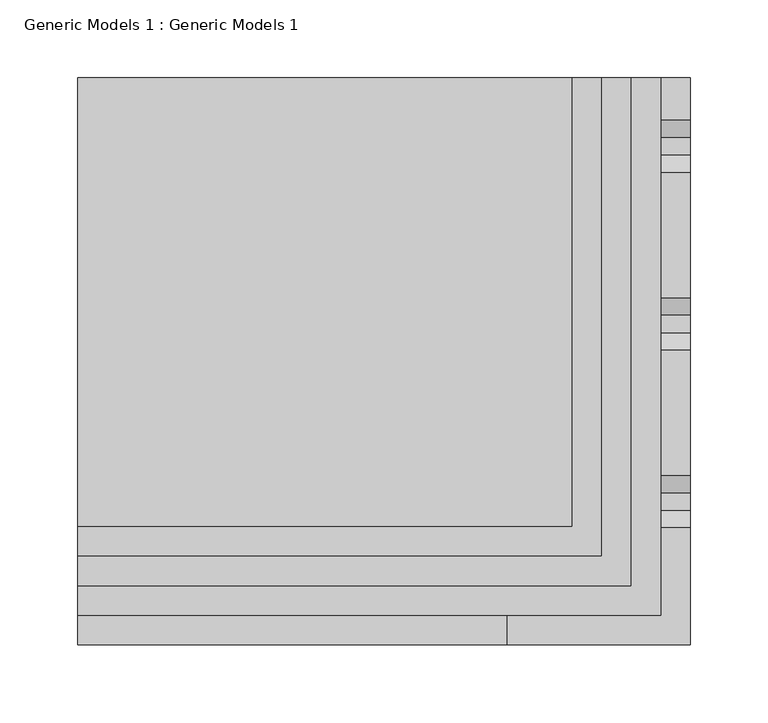
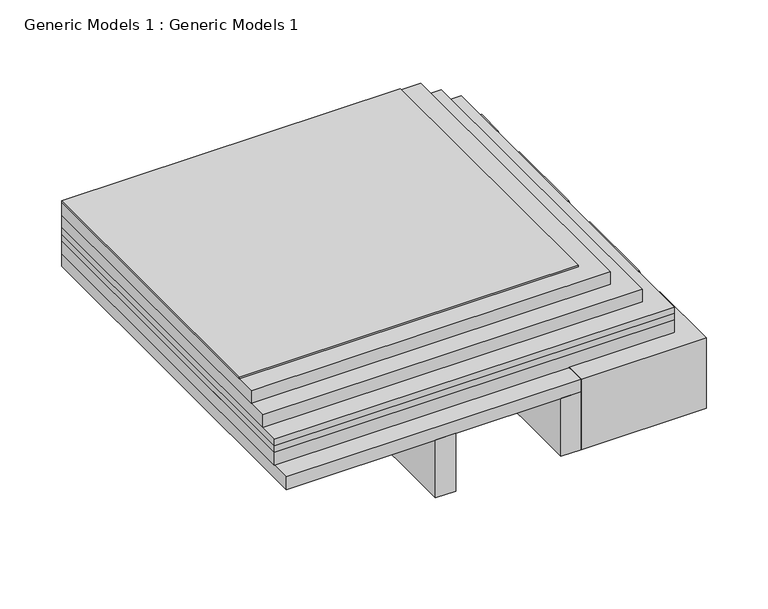
"""IFC4 building model written with IfcOpenShell, lengths in millimetres: proxy geometry, Generic Models 1 : Generic Models 1."""

from ifc_helpers import new_model, si_unit, frame, origin, place, context, project, spatial, polyline, outline, extrude, source, transform, mapped, element, save


def generic_models_1_generic_models_1_15493f5a(model_context):
    return source(origin(), model_context, "Body", "SweptSolid", [
        extrude(outline(polyline([(-101.6, 364.5288588), (273.05, 364.5288588), (273.05, 19.05), (-101.6, 19.05), (-101.6, 364.5288588)])), frame((0.0, 0.0, 120.65), z_axis=(0.0, 0.0, 1.0), x_axis=(1.0, 0.0, 0.0)), (0.0, 0.0, 1.0), 6.35),
        extrude(outline(polyline([(-101.6, 364.5288588), (273.05, 364.5288588), (273.05, 19.05), (-101.6, 19.05), (-101.6, 364.5288588)])), frame((0.0, 0.0, 114.3), z_axis=(0.0, 0.0, 1.0), x_axis=(1.0, 0.0, 0.0)), (0.0, 0.0, 1.0), 6.35),
        extrude(outline(polyline([(228.670593, 44.45), (196.920593, 76.2), (201.410721, 76.2), (231.845593, 45.7651281), (262.2804649, 76.2), (266.770593, 76.2), (235.020593, 44.45), (228.670593, 44.45)])), frame((287.3375, 0.0, 0.0), z_axis=(1.0, 0.0, 0.0), x_axis=(0.0, 1.0, 0.0)), (0.0, 0.0, 1.0), 3.175),
        extrude(outline(polyline([(110.7911863, 44.45), (79.0411863, 76.2), (83.5313144, 76.2), (113.9661863, 45.7651281), (144.4010583, 76.2), (148.8911863, 76.2), (117.1411863, 44.45), (110.7911863, 44.45)])), frame((287.3375, 0.0, 0.0), z_axis=(1.0, 0.0, 0.0), x_axis=(0.0, 1.0, 0.0)), (0.0, 0.0, 1.0), 3.175),
        extrude(outline(polyline([(364.5288588, 88.9), (364.5288588, 76.2), (25.4, 76.2), (12.7, 88.9), (364.5288588, 88.9)])), frame((285.75, 0.0, 0.0), z_axis=(1.0, 0.0, 0.0), x_axis=(0.0, 1.0, 0.0)), (0.0, 0.0, 1.0), 6.35),
        extrude(outline(polyline([(364.5288588, 31.75), (69.85, 31.75), (57.15, 44.45), (364.5288588, 44.45), (364.5288588, 31.75)])), frame((285.75, 0.0, 0.0), z_axis=(1.0, 0.0, 0.0), x_axis=(0.0, 1.0, 0.0)), (0.0, 0.0, 1.0), 6.35),
        extrude(outline(polyline([(75.3364053, 101.6), (86.4489053, 90.4875), (97.8337772, 90.4875), (108.9462772, 101.6), (189.6364053, 101.6), (200.7489053, 90.4875), (212.1337772, 90.4875), (223.2462772, 101.6), (303.9364053, 101.6), (315.0489053, 90.4875), (326.4337772, 90.4875), (337.5462772, 101.6), (364.5288588, 101.6), (364.5288588, 100.0125), (338.2038412, 100.0125), (327.0913412, 88.9), (314.3913412, 88.9), (303.2788412, 100.0125), (223.9038412, 100.0125), (212.7913412, 88.9), (200.0913412, 88.9), (188.9788412, 100.0125), (109.6038412, 100.0125), (98.4913412, 88.9), (85.7913412, 88.9), (74.6788412, 100.0125), (1.5875, 100.0125), (0.0, 101.6), (75.3364053, 101.6)])), frame((174.625, 0.0, 0.0), z_axis=(1.0, 0.0, 0.0), x_axis=(0.0, 1.0, 0.0)), (0.0, 0.0, 1.0), 117.475),
        extrude(outline(polyline([(0.0, 31.75), (0.0, 101.6), (69.85, 31.75), (0.0, 31.75)])), frame((174.625, 0.0, 0.0), z_axis=(1.0, 0.0, 0.0), x_axis=(0.0, 1.0, 0.0)), (0.0, 0.0, 1.0), 117.475),
        extrude(outline(polyline([(-101.6, 364.5288588), (215.9, 364.5288588), (215.9, 76.2), (-101.6, 76.2), (-101.6, 364.5288588)])), frame((0.0, 0.0, 152.4), z_axis=(0.0, 0.0, 1.0), x_axis=(1.0, 0.0, 0.0)), (0.0, 0.0, 1.0), 1.5875),
        extrude(outline(polyline([(-101.6, 364.5288588), (234.95, 364.5288588), (234.95, 57.15), (-101.6, 57.15), (-101.6, 364.5288588)])), frame((0.0, 0.0, 139.7), z_axis=(0.0, 0.0, 1.0), x_axis=(1.0, 0.0, 0.0)), (0.0, 0.0, 1.0), 12.7),
        extrude(outline(polyline([(-101.6, 364.5288588), (254.0, 364.5288588), (254.0, 38.1), (-101.6, 38.1), (-101.6, 364.5288588)])), frame((0.0, 0.0, 127.0), z_axis=(0.0, 0.0, 1.0), x_axis=(1.0, 0.0, 0.0)), (0.0, 0.0, 1.0), 12.7),
        extrude(outline(polyline([(-101.6, 364.5288588), (273.05, 364.5288588), (273.05, 19.05), (-101.6, 19.05), (-101.6, 364.5288588)])), frame((0.0, 0.0, 101.6), z_axis=(0.0, 0.0, 1.0), x_axis=(1.0, 0.0, 0.0)), (0.0, 0.0, 1.0), 12.7),
        extrude(outline(polyline([(57.15, 0.0), (38.1, 0.0), (38.1, 261.3017557), (57.15, 261.3017557), (57.15, 0.0)])), frame((0.0, 0.0, 31.75), z_axis=(0.0, 0.0, 1.0), x_axis=(1.0, 0.0, 0.0)), (0.0, 0.0, 1.0), 57.15),
        extrude(outline(polyline([(174.625, 0.0), (155.575, 0.0), (155.575, 261.3017557), (174.625, 261.3017557), (174.625, 0.0)])), frame((0.0, 0.0, 31.75), z_axis=(0.0, 0.0, 1.0), x_axis=(1.0, 0.0, 0.0)), (0.0, 0.0, 1.0), 57.15),
        extrude(outline(polyline([(-101.6, 364.5288588), (174.625, 364.5288588), (174.625, 0.0), (-101.6, 0.0), (-101.6, 364.5288588)])), frame((0.0, 0.0, 88.9), z_axis=(0.0, 0.0, 1.0), x_axis=(1.0, 0.0, 0.0)), (0.0, 0.0, 1.0), 12.7),
    ])


if __name__ == "__main__":
    model = new_model("IFC4")
    model_context = context("Model", 3, world=origin())
    ifc_project = project(units=[si_unit("LENGTHUNIT", "METRE", prefix="MILLI")], contexts=[model_context])
    site = spatial("IfcSite", under=ifc_project)
    building = spatial("IfcBuilding", under=site)
    placement = place(None, origin())
    generic_models_1_generic_models_1_shape = generic_models_1_generic_models_1_15493f5a(model_context)
    element("IfcBuildingElementProxy", 1, Name="Generic Models 1 : Generic Models 1", ObjectType="Generic Models 1 : Generic Models 1", at=placement, inside=building, context=model_context, shape_type="MappedRepresentation", body=[
        mapped(generic_models_1_generic_models_1_shape, transform((0.0, 0.0, 0.0), x_axis=(1.0, 0.0, 0.0), y_axis=(0.0, 1.0, 0.0), z_axis=(0.0, 0.0, 1.0))),
    ])
    save(model, "model.ifc")
